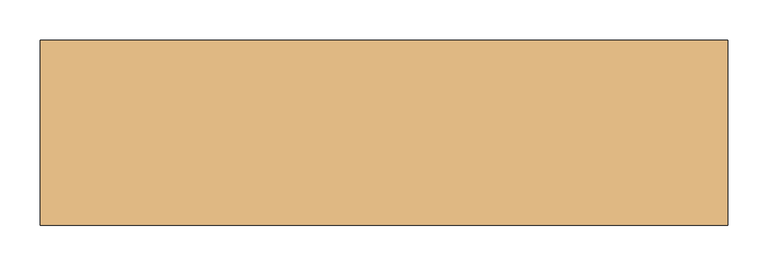
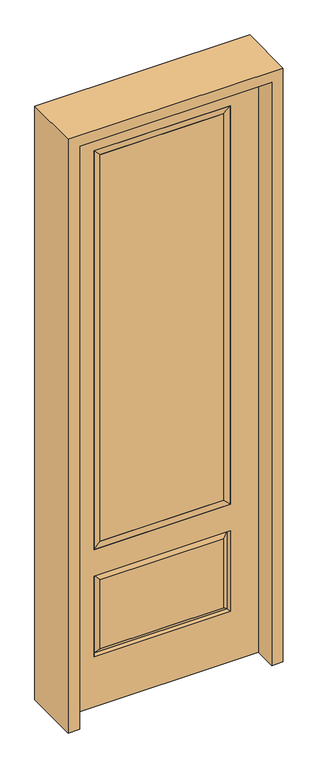
"""IFC4 building model written with IfcOpenShell, lengths in millimetres: door geometry."""

from ifc_helpers import new_model, si_unit, frame, origin, place, context, project, spatial, polyline, outline, extrude, faceted_brep, source, transform, mapped, element, save


def door_e3ff34d1(model_context):
    return source(origin(), model_context, "Body", "SolidModel", [
        extrude(outline(polyline([(244.475, -20.32), (-244.475, -20.32), (-244.475, 5.08), (244.475, 5.08), (244.475, -20.32)])), frame((0.0, 0.0, 682.498), z_axis=(0.0, 0.0, 1.0), x_axis=(1.0, 0.0, 0.0)), (0.0, 0.0, 1.0), 1616.202),
        faceted_brep([(-262.7661499, -12.7912373, 216.6588501), (262.7661499, -12.7912373, 216.6588501), (245.26875, -22.225, 234.15625), (-245.26875, -22.225, 234.15625), (-269.875, -22.225, 209.55), (269.875, -22.225, 209.55), (-262.7661499, -12.7912373, 538.9911499), (-269.875, -22.225, 546.1), (245.26875, -22.225, 521.49375), (-245.26875, -22.225, 521.49375), (381.0, -22.225, 2438.4), (-381.0, -22.225, 2438.4), (-381.0, -22.225, 0.0), (381.0, -22.225, 0.0), (269.875, -22.225, 546.1), (269.875, -22.225, 2324.1), (269.875, -22.225, 657.098), (-269.875, -22.225, 657.098), (-269.875, -22.225, 2324.1), (262.7661499, -12.7912373, 538.9911499), (-381.0, 22.225, 2438.4), (-381.0, 22.225, 0.0), (381.0, 22.225, 0.0), (381.0, 22.225, 2438.4), (269.875, 22.225, 2324.1), (269.875, 22.225, 657.098), (-269.875, 22.225, 657.098), (-269.875, 22.225, 2324.1), (-269.875, 22.225, 209.55), (269.875, 22.225, 209.55), (269.875, 22.225, 546.1), (-269.875, 22.225, 546.1), (245.26875, 22.225, 234.15625), (-245.26875, 22.225, 234.15625), (-245.26875, 22.225, 521.49375), (245.26875, 22.225, 521.49375), (-262.7661499, 12.7912373, 216.6588501), (262.7661499, 12.7912373, 216.6588501), (262.7661499, 12.7912373, 538.9911499), (-262.7661499, 12.7912373, 538.9911499)], [[[0, 1, 2, 3]], [[1, 0, 4, 5]], [[4, 0, 6, 7]], [[3, 2, 8, 9]], [[10, 11, 12, 13], [5, 4, 7, 14], [15, 16, 17, 18]], [[1, 5, 14, 19]], [[2, 1, 19, 8]], [[0, 3, 9, 6]], [[7, 6, 19, 14]], [[6, 9, 8, 19]], [[12, 11, 20, 21]], [[13, 12, 21, 22]], [[10, 13, 22, 23]], [[16, 15, 24, 25]], [[17, 16, 25, 26]], [[18, 17, 26, 27]], [[23, 22, 21, 20], [28, 29, 30, 31], [24, 27, 26, 25]], [[32, 33, 34, 35]], [[28, 36, 37, 29]], [[29, 37, 38, 30]], [[39, 31, 30, 38]], [[36, 28, 31, 39]], [[37, 36, 33, 32]], [[33, 36, 39, 34]], [[34, 39, 38, 35]], [[37, 32, 35, 38]], [[11, 10, 23, 20]], [[15, 18, 27, 24]]]),
        faceted_brep([(-269.875, -22.225, 2324.1), (-269.875, 22.225, 2324.1), (-269.875, 22.225, 657.098), (-269.875, -22.225, 657.098), (269.875, 22.225, 657.098), (269.875, -22.225, 657.098), (-244.475, 5.08, 682.498), (244.475, 5.08, 682.498), (269.875, 22.225, 2324.1), (269.875, -22.225, 2324.1), (-244.475, -20.32, 682.498), (244.475, -20.32, 682.498), (-244.475, -20.32, 2298.7), (244.475, -20.32, 2298.7), (-244.475, 5.08, 2298.7), (244.475, 5.08, 2298.7)], [[[0, 1, 2, 3]], [[3, 2, 4, 5]], [[2, 6, 7, 4]], [[5, 4, 8, 9]], [[10, 3, 5, 11]], [[12, 0, 3, 10]], [[11, 5, 9, 13]], [[6, 10, 11, 7]], [[14, 12, 10, 6]], [[7, 11, 13, 15]], [[1, 14, 6, 2]], [[4, 7, 15, 8]], [[9, 8, 1, 0]], [[13, 9, 0, 12]], [[15, 13, 12, 14]], [[8, 15, 14, 1]]]),
        extrude(outline(polyline([(2482.85, -425.45), (0.0, -425.45), (0.0, -381.0), (2438.4, -381.0), (2438.4, 381.0), (0.0, 381.0), (0.0, 425.45), (2482.85, 425.45), (2482.85, -425.45)])), frame((0.0, -114.3, 0.0), z_axis=(0.0, 1.0, 0.0), x_axis=(0.0, 0.0, 1.0)), (0.0, 0.0, 1.0), 228.6),
    ])


if __name__ == "__main__":
    model = new_model("IFC4")
    model_context = context("Model", 3, world=origin())
    ifc_project = project(units=[si_unit("LENGTHUNIT", "METRE", prefix="MILLI")], contexts=[model_context])
    site = spatial("IfcSite", under=ifc_project)
    building = spatial("IfcBuilding", under=site)
    placement = place(None, origin())
    door_shape = door_e3ff34d1(model_context)
    element("IfcDoor", 1, at=placement, inside=building, context=model_context, shape_type="MappedRepresentation", body=[
        mapped(door_shape, transform((0.0, 0.0, 0.0), x_axis=(1.0, 0.0, 0.0), y_axis=(0.0, 1.0, 0.0), z_axis=(0.0, 0.0, 1.0))),
    ])
    save(model, "model.ifc")
